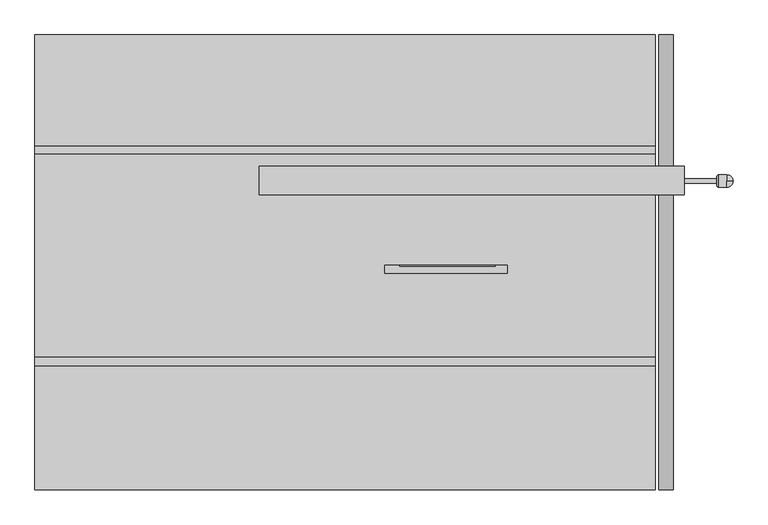
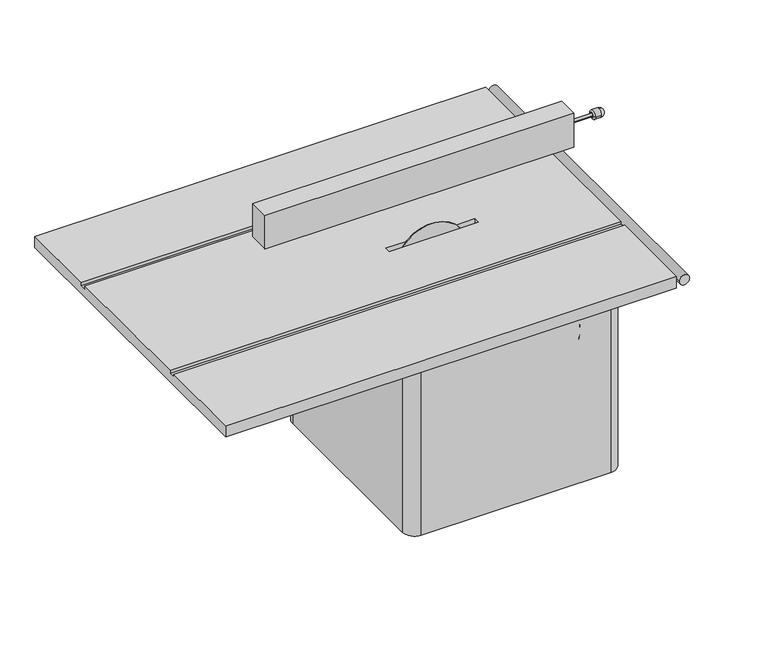
"""IFC4 building model written with IfcOpenShell, lengths in millimetres: proxy geometry."""

from ifc_helpers import new_model, si_unit, point, frame, origin, place, context, project, spatial, polyline, circle_curve, ellipse_curve, trimmed, source, transform, mapped, element, save
from ifc_brep_helpers import plane_surface, cylinder_surface, revolved_surface, advanced_brep


def generic_models_f5437ed7(model_context):
    return source(origin(), model_context, "Body", "AdvancedBrep", [
        advanced_brep(
        [(676.378953, 178.0544912, 133.7347842), (777.978953, 178.0544912, 133.7347842), (777.978953, 190.7544912, 133.7347842), (676.378953, 190.7544912, 133.7347842), (809.728953, 184.4044912, 114.6847842), (828.778953, 184.4044912, 133.7347842), (809.728953, 184.4044912, 152.7847842), (809.728953, 165.3544912, 133.7347842), (784.328953, 165.3544912, 133.7347842), (809.728953, 203.4544912, 133.7347842), (784.328953, 203.4544912, 133.7347842), (777.978953, 171.7044912, 133.7347842), (777.978953, 197.1044912, 133.7347842), (499.751566, -361.2020348, -283.6476847), (502.926566, -361.2020348, -283.6476847), (502.926566, -310.4020348, -283.6476847), (499.751566, -310.4020348, -283.6476847), (499.751566, -354.8520348, -212.0969115), (502.926566, -354.8520348, -212.0969115), (502.926566, -316.7520348, -212.0969115), (499.751566, -316.7520348, -212.0969115), (448.951566, -264.433879, -462.9127721), (464.826566, -264.433879, -462.9127721), (464.826566, -35.833879, -462.9127721), (448.951566, -35.833879, -462.9127721), (474.351566, -45.358879, -462.9127721), (474.351566, -254.908879, -462.9127721), (312.3910401, 297.4680412, -374.1719604), (312.3910401, 313.3430412, -374.1719604), (83.7910401, 313.3430412, -374.1719604), (83.7910401, 297.4680412, -374.1719604), (93.3160401, 322.8680412, -374.1719604), (302.8660401, 322.8680412, -374.1719604), (586.7424063, 293.8601682, 50.8), (-1340.825252, 293.8601682, 50.8), (-1340.825252, 293.8601682, 38.1), (586.7424063, 293.8601682, 38.1), (-1340.825252, 268.3071101, 50.8), (586.7424063, 268.3071101, 50.8), (586.7424063, 268.3071101, 38.1), (-1340.825252, 268.3071101, 38.1), (586.7424063, -362.3424132, 50.8), (-1340.825252, -362.3424132, 50.8), (-1340.825252, -362.3424132, 38.1), (586.7424063, -362.3424132, 38.1), (-1340.825252, -390.3939432, 50.8), (586.7424063, -390.3939432, 50.8), (586.7424063, -390.3939432, 38.1), (-1340.825252, -390.3939432, 38.1), (-1340.825252, -774.9870347, 50.8), (586.7424063, -774.9870347, 50.8), (586.7424063, 141.5142737, 50.8), (-643.8122449, 141.5142737, 50.8), (-643.8122449, 230.4142737, 50.8), (586.7424063, 230.4142737, 50.8), (-253.1006443, -102.6414505, 50.8), (-253.1006443, -77.2414505, 50.8), (-166.6982768, -77.2414505, 50.8), (48.3369106, -77.2414505, 50.8), (127.6651204, -77.2414505, 50.8), (127.6651204, -102.6414505, 50.8), (586.7424063, 638.485109, 50.8), (-1340.825252, 638.485109, 50.8), (586.7424063, -774.9870347, 0.0), (586.7424063, 638.485109, 0.0), (102.7543241, 322.8680412, -382.3351608), (293.4277561, 322.8680412, -382.3351608), (231.5657643, 322.8680412, -382.3351608), (164.6163158, 322.8680412, -382.3351608), (293.6205248, 322.8680412, -368.7089201), (102.5615553, 322.8680412, -368.7089201), (164.0711901, 322.8680412, -368.7089201), (232.1108901, 322.8680412, -368.7089201), (293.6205248, 297.4680412, -368.7089201), (102.5615553, 297.4680412, -368.7089201), (164.0711901, 297.4680412, -368.7089201), (232.1108901, 297.4680412, -368.7089201), (102.7543241, 297.4680412, -382.3351608), (293.4277561, 297.4680412, -382.3351608), (231.5657643, 297.4680412, -382.3351608), (164.6163158, 297.4680412, -382.3351608), (-414.648434, 297.4680412, 0.0), (398.151566, 297.4680412, 0.0), (398.151566, 297.4680412, -863.6), (-414.648434, 297.4680412, -863.6), (474.351566, -222.0551841, -421.9073877), (474.351566, -71.72547, -489.4878934), (474.351566, -116.781844, -469.2328656), (474.351566, -176.99881, -442.1624155), (474.351566, -183.2008593, -455.2396612), (474.351566, -122.4461776, -482.5518406), (474.351566, -77.550563, -502.7345993), (474.351566, -228.0964739, -435.0569025), (448.951566, -183.2008593, -455.2396612), (448.951566, -122.4461776, -482.5518406), (448.951566, -77.550563, -502.7345993), (448.951566, -228.0964739, -435.0569025), (448.951566, -222.0551841, -421.9073877), (448.951566, -71.72547, -489.4878934), (448.951566, -116.781844, -469.2328656), (448.951566, -176.99881, -442.1624155), (448.951566, 246.6680412, 0.0), (448.951566, -566.1319588, 0.0), (448.951566, -566.1319588, -863.6), (448.951566, 246.6680412, -863.6), (448.951566, -283.2065354, -167.9010216), (448.951566, -283.2065354, -349.9623704), (448.951566, -388.3975342, -349.9623704), (448.951566, -388.3975342, -167.9010216), (499.751566, -283.2065354, -167.9010216), (499.751566, -283.2065354, -349.9623704), (499.751566, -388.3975342, -349.9623704), (499.751566, -388.3975342, -167.9010216), (-208.2243392, -80.4164505, -25.4), (89.862973, -80.4164505, -25.4), (-208.2243392, -77.2414505, -25.4), (89.862973, -77.2414505, -25.4), (127.6651204, -77.2414505, -25.4), (127.6651204, -102.6414505, -25.4), (-253.1006443, -102.6414505, -25.4), (-253.1006443, -77.2414505, -25.4), (676.378953, 141.5142737, 50.8), (676.378953, 230.4142737, 50.8), (676.378953, 230.4142737, 203.2), (676.378953, 141.5142737, 203.2), (-643.8122449, 141.5142737, 203.2), (-643.8122449, 230.4142737, 203.2), (-1340.825252, 638.485109, 0.0), (-1340.825252, -774.9870347, 0.0), (398.151566, -616.9319588, 0.0), (-465.448434, 246.6680412, 0.0), (-465.448434, -566.1319588, 0.0), (-414.648434, -616.9319588, 0.0), (398.151566, -616.9319588, -863.6), (-465.448434, 246.6680412, -863.6), (-465.448434, -566.1319588, -863.6), (-414.648434, -616.9319588, -863.6)],
        [
            (0, 1),
            (1, 2, circle_curve(frame((777.978953, 184.4044912, 133.7347842), z_axis=(-1.0, 0.0, 0.0), x_axis=(0.0, -1.0, 0.0)), 6.35)),
            (2, 3),
            (3, 0, circle_curve(frame((676.378953, 184.4044912, 133.7347842), z_axis=(1.0, 0.0, 0.0), x_axis=(0.0, -1.0, 0.0)), 6.35)),
            (4, 5, circle_curve(frame((809.728953, 184.4044912, 133.7347842), z_axis=(0.0, -1.0, 0.0), x_axis=(0.0, 0.0, -1.0)), 19.05)),
            (5, 6, circle_curve(frame((809.728953, 184.4044912, 133.7347842), z_axis=(0.0, -1.0, 0.0), x_axis=(0.0, 0.0, 1.0)), 19.05)),
            (6, 7, circle_curve(frame((809.728953, 184.4044912, 133.7347842), z_axis=(1.0, 0.0, 0.0), x_axis=(0.0, 0.0, -1.0)), 19.05)),
            (7, 4, circle_curve(frame((809.728953, 184.4044912, 133.7347842), z_axis=(1.0, 0.0, 0.0), x_axis=(0.0, 0.0, -1.0)), 19.05)),
            (8, 7),
            (6, 9, circle_curve(frame((809.728953, 184.4044912, 133.7347842), z_axis=(-1.0, 0.0, 0.0), x_axis=(0.0, -1.0, 0.0)), 19.05)),
            (9, 10),
            (10, 8, circle_curve(frame((784.328953, 184.4044912, 133.7347842), z_axis=(1.0, 0.0, 0.0), x_axis=(0.0, -1.0, 0.0)), 19.05)),
            (8, 11, circle_curve(frame((784.328953, 171.7044912, 133.7347842), z_axis=(0.0, 0.0, -1.0), x_axis=(0.0, -1.0, 0.0)), 6.35)),
            (11, 12, circle_curve(frame((777.978953, 184.4044912, 133.7347842), z_axis=(1.0, 0.0, 0.0), x_axis=(0.0, -1.0, 0.0)), 12.7)),
            (12, 10, circle_curve(frame((784.328953, 197.1044912, 133.7347842), z_axis=(0.0, 0.0, -1.0), x_axis=(0.0, 1.0, 0.0)), 6.35)),
            (10, 8, circle_curve(frame((784.328953, 184.4044912, 133.7347842), z_axis=(-1.0, 0.0, 0.0), x_axis=(0.0, -1.0, 0.0)), 19.05)),
            (13, 14),
            (14, 15, circle_curve(frame((502.926566, -335.8020348, -283.6476847), z_axis=(-1.0, 0.0, 0.0), x_axis=(0.0, -1.0, 0.0)), 25.4)),
            (15, 16),
            (16, 13, circle_curve(frame((499.751566, -335.8020348, -283.6476847), z_axis=(1.0, 0.0, 0.0), x_axis=(0.0, -1.0, 0.0)), 25.4)),
            (17, 18),
            (18, 19, circle_curve(frame((502.926566, -335.8020348, -212.0969115), z_axis=(-1.0, 0.0, 0.0), x_axis=(0.0, -1.0, 0.0)), 19.05)),
            (19, 20),
            (20, 17, circle_curve(frame((499.751566, -335.8020348, -212.0969115), z_axis=(1.0, 0.0, 0.0), x_axis=(0.0, -1.0, 0.0)), 19.05)),
            (21, 22),
            (22, 23, circle_curve(frame((464.826566, -150.133879, -462.9127721), z_axis=(-1.0, 0.0, 0.0), x_axis=(0.0, -1.0, 0.0)), 114.3)),
            (23, 24),
            (24, 21, circle_curve(frame((448.951566, -150.133879, -462.9127721), z_axis=(1.0, 0.0, 0.0), x_axis=(0.0, -1.0, 0.0)), 114.3)),
            (23, 25, circle_curve(frame((464.826566, -45.358879, -462.9127721), z_axis=(0.0, 0.0, -1.0), x_axis=(0.0, 1.0, 0.0)), 9.525)),
            (25, 26, circle_curve(frame((474.351566, -150.133879, -462.9127721), z_axis=(-1.0, 0.0, 0.0), x_axis=(0.0, 1.0, 0.0)), 104.775)),
            (26, 22, circle_curve(frame((464.826566, -254.908879, -462.9127721), z_axis=(0.0, 0.0, -1.0), x_axis=(0.0, -1.0, 0.0)), 9.525)),
            (22, 23, circle_curve(frame((464.826566, -150.133879, -462.9127721), z_axis=(1.0, 0.0, 0.0), x_axis=(0.0, 1.0, 0.0)), 114.3)),
            (27, 28),
            (28, 29, circle_curve(frame((198.0910401, 313.3430412, -374.1719604), z_axis=(0.0, -1.0, 0.0), x_axis=(1.0, 0.0, 0.0)), 114.3)),
            (29, 30),
            (30, 27, circle_curve(frame((198.0910401, 297.4680412, -374.1719604), z_axis=(0.0, 1.0, 0.0), x_axis=(1.0, 0.0, 0.0)), 114.3)),
            (29, 31, circle_curve(frame((93.3160401, 313.3430412, -374.1719604), z_axis=(0.0, 0.0, -1.0), x_axis=(-1.0, 0.0, 0.0)), 9.525)),
            (31, 32, circle_curve(frame((198.0910401, 322.8680412, -374.1719604), z_axis=(0.0, -1.0, 0.0), x_axis=(-1.0, 0.0, 0.0)), 104.775)),
            (32, 28, circle_curve(frame((302.8660401, 313.3430412, -374.1719604), z_axis=(0.0, 0.0, -1.0), x_axis=(1.0, 0.0, 0.0)), 9.525)),
            (28, 29, circle_curve(frame((198.0910401, 313.3430412, -374.1719604), z_axis=(0.0, 1.0, 0.0), x_axis=(-1.0, 0.0, 0.0)), 114.3)),
            (33, 34),
            (34, 35),
            (35, 36),
            (36, 33),
            (37, 38),
            (38, 39),
            (39, 40),
            (40, 37),
            (39, 36),
            (35, 40),
            (41, 42),
            (42, 43),
            (43, 44),
            (44, 41),
            (45, 46),
            (46, 47),
            (47, 48),
            (48, 45),
            (47, 44),
            (43, 48),
            (45, 49),
            (49, 50),
            (50, 46),
            (37, 42),
            (41, 51),
            (51, 52),
            (52, 53),
            (53, 54),
            (54, 38),
            (55, 56),
            (56, 57),
            (57, 58),
            (58, 59),
            (59, 60),
            (60, 55),
            (33, 61),
            (61, 62),
            (62, 34),
            (54, 51),
            (50, 63),
            (63, 64),
            (64, 61),
            (32, 31, circle_curve(frame((198.0910401, 322.8680412, -374.1719604), z_axis=(0.0, -1.0, 0.0), x_axis=(-1.0, 0.0, 0.0)), 104.775)),
            (27, 30, circle_curve(frame((198.0910401, 297.4680412, -374.1719604), z_axis=(0.0, 1.0, 0.0), x_axis=(1.0, 0.0, 0.0)), 114.3)),
            (65, 66, circle_curve(frame((198.0910401, 322.8680412, -374.1719604), z_axis=(0.0, -1.0, 0.0), x_axis=(-0.9963542199565579, 0.0, 0.08531276794688515)), 95.6855645)),
            (66, 67),
            (67, 68, circle_curve(frame((198.0910401, 322.8680412, -374.1719604), z_axis=(0.0, 1.0, 0.0), x_axis=(0.9715294681837133, 0.0, -0.2369187465159127)), 34.4556962)),
            (68, 65),
            (69, 70, circle_curve(frame((198.0910401, 322.8680412, -374.1719604), z_axis=(0.0, -1.0, 0.0), x_axis=(0.9983688259059159, 0.0, -0.05709367267257328)), 95.6855645)),
            (70, 71),
            (71, 72, circle_curve(frame((198.0910401, 322.8680412, -374.1719604), z_axis=(0.0, 1.0, 0.0), x_axis=(-0.9873505316340759, 0.0, 0.15855260225523773)), 34.4556962)),
            (72, 69),
            (73, 74, circle_curve(frame((198.0910401, 297.4680412, -374.1719604), z_axis=(0.0, -1.0, 0.0), x_axis=(0.9983688259059159, 0.0, -0.05709367267257328)), 95.6855645)),
            (74, 70),
            (69, 73),
            (74, 75),
            (75, 71),
            (75, 76, circle_curve(frame((198.0910401, 297.4680412, -374.1719604), z_axis=(0.0, 1.0, 0.0), x_axis=(-0.9873505316340759, 0.0, 0.15855260225523773)), 34.4556962)),
            (76, 72),
            (76, 73),
            (77, 78, circle_curve(frame((198.0910401, 297.4680412, -374.1719604), z_axis=(0.0, -1.0, 0.0), x_axis=(-0.9963542199565579, 0.0, 0.08531276794688515)), 95.6855645)),
            (78, 66),
            (65, 77),
            (78, 79),
            (79, 67),
            (79, 80, circle_curve(frame((198.0910401, 297.4680412, -374.1719604), z_axis=(0.0, 1.0, 0.0), x_axis=(0.9715294681837133, 0.0, -0.2369187465159127)), 34.4556962)),
            (80, 68),
            (80, 77),
            (81, 82),
            (82, 83),
            (83, 84),
            (84, 81),
            (26, 25, circle_curve(frame((474.351566, -150.133879, -462.9127721), z_axis=(-1.0, 0.0, 0.0), x_axis=(0.0, 1.0, 0.0)), 104.775)),
            (21, 24, circle_curve(frame((448.951566, -150.133879, -462.9127721), z_axis=(1.0, 0.0, 0.0), x_axis=(0.0, -1.0, 0.0)), 114.3)),
            (85, 86, circle_curve(frame((474.351566, -150.133879, -462.9127721), z_axis=(-1.0, 0.0, 0.0), x_axis=(0.0, -0.9470805697824121, 0.3209959413148736)), 82.7895868)),
            (86, 87),
            (87, 88, circle_curve(frame((474.351566, -150.133879, -462.9127721), z_axis=(1.0, 0.0, 0.0), x_axis=(0.0, 0.9825150552938274, -0.18618315208677508)), 33.9455714)),
            (88, 85),
            (89, 90, circle_curve(frame((474.351566, -150.133879, -462.9127721), z_axis=(1.0, 0.0, 0.0), x_axis=(0.0, 0.9741176519313407, -0.22604158952673153)), 33.9455714)),
            (90, 91),
            (91, 92, circle_curve(frame((474.351566, -150.133879, -462.9127721), z_axis=(-1.0, 0.0, 0.0), x_axis=(0.0, -0.9416956643948973, 0.33646586106149473)), 82.7895868)),
            (92, 89),
            (93, 94, circle_curve(frame((448.951566, -150.133879, -462.9127721), z_axis=(1.0, 0.0, 0.0), x_axis=(0.0, 0.9741176519313407, -0.22604158952673153)), 33.9455714)),
            (94, 90),
            (89, 93),
            (94, 95),
            (95, 91),
            (95, 96, circle_curve(frame((448.951566, -150.133879, -462.9127721), z_axis=(-1.0, 0.0, 0.0), x_axis=(0.0, -0.9416956643948973, 0.33646586106149473)), 82.7895868)),
            (96, 92),
            (96, 93),
            (97, 98, circle_curve(frame((448.951566, -150.133879, -462.9127721), z_axis=(-1.0, 0.0, 0.0), x_axis=(0.0, -0.9470805697824121, 0.3209959413148736)), 82.7895868)),
            (98, 86),
            (85, 97),
            (98, 99),
            (99, 87),
            (99, 100, circle_curve(frame((448.951566, -150.133879, -462.9127721), z_axis=(1.0, 0.0, 0.0), x_axis=(0.0, 0.9825150552938274, -0.18618315208677508)), 33.9455714)),
            (100, 88),
            (100, 97),
            (101, 102),
            (102, 103),
            (103, 104),
            (104, 101),
            (105, 106),
            (106, 107),
            (107, 108),
            (108, 105),
            (17, 20, circle_curve(frame((499.751566, -335.8020348, -212.0969115), z_axis=(1.0, 0.0, 0.0), x_axis=(0.0, -1.0, 0.0)), 19.05)),
            (19, 18, circle_curve(frame((502.926566, -335.8020348, -212.0969115), z_axis=(-1.0, 0.0, 0.0), x_axis=(0.0, -1.0, 0.0)), 19.05)),
            (13, 16, circle_curve(frame((499.751566, -335.8020348, -283.6476847), z_axis=(1.0, 0.0, 0.0), x_axis=(0.0, -1.0, 0.0)), 25.4)),
            (15, 14, circle_curve(frame((502.926566, -335.8020348, -283.6476847), z_axis=(-1.0, 0.0, 0.0), x_axis=(0.0, -1.0, 0.0)), 25.4)),
            (105, 109),
            (109, 110),
            (110, 106),
            (110, 111),
            (111, 107),
            (111, 112),
            (112, 108),
            (112, 109),
            (12, 11, circle_curve(frame((777.978953, 184.4044912, 133.7347842), z_axis=(1.0, 0.0, 0.0), x_axis=(0.0, -1.0, 0.0)), 12.7)),
            (9, 4, circle_curve(frame((809.728953, 184.4044912, 133.7347842), z_axis=(-1.0, 0.0, 0.0), x_axis=(0.0, -1.0, 0.0)), 19.05)),
            (1, 2, circle_curve(frame((777.978953, 184.4044912, 133.7347842), z_axis=(1.0, 0.0, 0.0), x_axis=(0.0, -1.0, 0.0)), 6.35)),
            (0, 3, circle_curve(frame((676.378953, 184.4044912, 133.7347842), z_axis=(1.0, 0.0, 0.0), x_axis=(0.0, -1.0, 0.0)), 6.35)),
            (113, 114),
            (114, 113, circle_curve(frame((-59.1806831, -80.4164505, -57.2079953), z_axis=(0.0, -1.0, 0.0), x_axis=(-1.0, 0.0, 0.0)), 152.4)),
            (115, 113),
            (114, 116),
            (116, 58, circle_curve(frame((-59.1806831, -77.2414505, -57.2079953), z_axis=(0.0, -1.0, 0.0), x_axis=(-1.0, 0.0, 0.0)), 152.4)),
            (58, 57, circle_curve(frame((-59.1806831, -77.2414505, -57.2079953), z_axis=(0.0, -1.0, 0.0), x_axis=(-1.0, 0.0, 0.0)), 152.4)),
            (57, 115, circle_curve(frame((-59.1806831, -77.2414505, -57.2079953), z_axis=(0.0, -1.0, 0.0), x_axis=(-1.0, 0.0, 0.0)), 152.4)),
            (116, 117),
            (117, 59),
            (117, 118),
            (118, 60),
            (118, 119),
            (119, 55),
            (115, 120),
            (120, 119),
            (120, 56),
            (121, 122),
            (122, 123),
            (123, 124),
            (124, 121),
            (51, 121),
            (124, 125),
            (125, 52),
            (125, 126),
            (126, 53),
            (126, 123),
            (122, 54),
            (64, 127),
            (127, 62),
            (63, 128),
            (128, 127),
            (129, 102, circle_curve(frame((398.151566, -566.1319588, 0.0), z_axis=(0.0, 0.0, 1.0), x_axis=(0.0, -1.0, 0.0)), 50.8)),
            (101, 82, circle_curve(frame((398.151566, 246.6680412, 0.0), z_axis=(0.0, 0.0, 1.0), x_axis=(1.0, 0.0, 0.0)), 50.8)),
            (81, 130, circle_curve(frame((-414.648434, 246.6680412, 0.0), z_axis=(0.0, 0.0, 1.0), x_axis=(0.0, 1.0, 0.0)), 50.8)),
            (130, 131),
            (131, 132, circle_curve(frame((-414.648434, -566.1319588, 0.0), z_axis=(0.0, 0.0, 1.0), x_axis=(-1.0, 0.0, 0.0)), 50.8)),
            (132, 129),
            (128, 49),
            (129, 133),
            (133, 103, circle_curve(frame((398.151566, -566.1319588, -863.6), z_axis=(0.0, 0.0, 1.0), x_axis=(0.0, -1.0, 0.0)), 50.8)),
            (104, 83, circle_curve(frame((398.151566, 246.6680412, -863.6), z_axis=(0.0, 0.0, 1.0), x_axis=(1.0, 0.0, 0.0)), 50.8)),
            (84, 134, circle_curve(frame((-414.648434, 246.6680412, -863.6), z_axis=(0.0, 0.0, 1.0), x_axis=(0.0, 1.0, 0.0)), 50.8)),
            (134, 130),
            (134, 135),
            (135, 131),
            (135, 136, circle_curve(frame((-414.648434, -566.1319588, -863.6), z_axis=(0.0, 0.0, 1.0), x_axis=(-1.0, 0.0, 0.0)), 50.8)),
            (136, 132),
            (136, 133),
        ],
        [
            cylinder_surface(frame((676.378953, 184.4044912, 133.7347842), z_axis=(1.0, 0.0, 0.0), x_axis=(0.0, -1.0, 0.0)), 6.35),
            revolved_surface(trimmed(ellipse_curve(frame((809.728953, 184.4044912, 133.7347842), z_axis=(0.0, -1.0, 0.0), x_axis=(0.0, 0.0, -1.0)), 19.05, 19.05), [point((809.728953, 184.4044912, 114.6847842))], [point((828.778953, 184.4044912, 133.7347842))], True, "CARTESIAN"), (809.728953, 184.4044912, 133.7347842), (1.0, 0.0, 0.0)),
            cylinder_surface(frame((777.978953, 184.4044912, 133.7347842), z_axis=(1.0, 0.0, 0.0), x_axis=(0.0, -1.0, 0.0)), 19.05),
            revolved_surface(trimmed(ellipse_curve(frame((784.328953, 171.7044912, 133.7347842), z_axis=(0.0, 0.0, -1.0), x_axis=(0.0, -1.0, 0.0)), 6.35, 6.35), [point((784.328953, 165.3544912, 133.7347842))], [point((777.978953, 171.7044912, 133.7347842))], True, "CARTESIAN"), (784.328953, 184.4044912, 133.7347842), (-1.0, 0.0, 0.0)),
            cylinder_surface(frame((499.751566, -335.8020348, -283.6476847), z_axis=(1.0, 0.0, 0.0), x_axis=(0.0, -1.0, 0.0)), 25.4),
            cylinder_surface(frame((499.751566, -335.8020348, -212.0969115), z_axis=(1.0, 0.0, 0.0), x_axis=(0.0, -1.0, 0.0)), 19.05),
            cylinder_surface(frame((448.951566, -150.133879, -462.9127721), z_axis=(1.0, 0.0, 0.0), x_axis=(0.0, -1.0, 0.0)), 114.3),
            revolved_surface(trimmed(ellipse_curve(frame((464.826566, -45.358879, -462.9127721), z_axis=(0.0, 0.0, -1.0), x_axis=(0.0, 1.0, 0.0)), 9.525, 9.525), [point((464.826566, -35.833879, -462.9127721))], [point((474.351566, -45.358879, -462.9127721))], True, "CARTESIAN"), (464.826566, -150.133879, -462.9127721), (1.0, 0.0, 0.0)),
            cylinder_surface(frame((198.0910401, 297.4680412, -374.1719604), z_axis=(0.0, 1.0, 0.0), x_axis=(1.0, 0.0, 0.0)), 114.3),
            revolved_surface(trimmed(ellipse_curve(frame((93.3160401, 313.3430412, -374.1719604), z_axis=(0.0, 0.0, -1.0), x_axis=(-1.0, 0.0, 0.0)), 9.525, 9.525), [point((83.7910401, 313.3430412, -374.1719604))], [point((93.3160401, 322.8680412, -374.1719604))], True, "CARTESIAN"), (198.0910401, 313.3430412, -374.1719604), (0.0, 1.0, 0.0)),
            plane_surface(frame((-1340.825252, 293.8601682, 50.8), z_axis=(0.0, -1.0, 0.0), x_axis=(1.0, 0.0, 0.0))),
            plane_surface(frame((586.7424063, 268.3071101, 50.8), z_axis=(0.0, 1.0, 0.0), x_axis=(-1.0, 0.0, 0.0))),
            plane_surface(frame((-377.0414229, 281.0836391, 38.1), z_axis=(0.0, 0.0, 1.0), x_axis=(0.0, 1.0, 0.0))),
            plane_surface(frame((-1340.825252, -362.3424132, 50.8), z_axis=(0.0, -1.0, 0.0), x_axis=(1.0, 0.0, 0.0))),
            plane_surface(frame((586.7424063, -390.3939432, 50.8), z_axis=(0.0, 1.0, 0.0), x_axis=(-1.0, 0.0, 0.0))),
            plane_surface(frame((-377.0414229, -376.3681782, 38.1), z_axis=(0.0, 0.0, 1.0), x_axis=(0.0, 1.0, 0.0))),
            plane_surface(frame((-345.7642637, -135.4762593, 50.8), z_axis=(0.0, 0.0, 1.0), x_axis=(0.0, -1.0, 0.0))),
            plane_surface(frame((586.7424063, -866.1991001, 0.0), z_axis=(1.0, 0.0, 0.0), x_axis=(0.0, 1.0, 0.0))),
            plane_surface(frame((198.0910401, 322.8680412, -374.1719604), z_axis=(0.0, 1.0, 0.0), x_axis=(-1.0, 0.0, 0.0))),
            revolved_surface(polyline([(293.62052478600975, 322.8680412, -379.63500069905336), (293.62052478600975, 297.4680412, -379.63500069905336)]), (198.0910401, 297.4680412, -374.1719604), (0.0, 1.0, 0.0)),
            plane_surface(frame((164.0711901, 297.4680412, -368.7089201), z_axis=(0.0, 0.0, 1.0), x_axis=(-1.0, 0.0, 0.0))),
            cylinder_surface(frame((198.0910401, 297.4680412, -374.1719604), z_axis=(0.0, 1.0, 0.0), x_axis=(-0.9873505316340759, 0.0, 0.15855260225523773)), 34.4556962),
            plane_surface(frame((293.6205248, 297.4680412, -368.7089201), z_axis=(0.0, 0.0, 1.0), x_axis=(-1.0, 0.0, 0.0))),
            revolved_surface(polyline([(102.75432412149958, 322.8680412, -366.0087600399448), (102.75432412149958, 297.4680412, -366.0087600399448)]), (198.0910401, 297.4680412, -374.1719604), (0.0, 1.0, 0.0)),
            plane_surface(frame((231.5657643, 297.4680412, -382.3351608), z_axis=(0.0, 0.0, -1.0), x_axis=(1.0, 0.0, 0.0))),
            cylinder_surface(frame((198.0910401, 297.4680412, -374.1719604), z_axis=(0.0, 1.0, 0.0), x_axis=(0.9715294681837133, 0.0, -0.2369187465159127)), 34.4556962),
            plane_surface(frame((102.7543241, 297.4680412, -382.3351608), z_axis=(0.0, 0.0, -1.0), x_axis=(1.0, 0.0, 0.0))),
            plane_surface(frame((-414.648434, 297.4680412, 0.0), z_axis=(0.0, 1.0, 0.0), x_axis=(1.0, 0.0, 0.0))),
            plane_surface(frame((474.351566, -150.133879, -462.9127721), z_axis=(1.0, 0.0, 0.0), x_axis=(0.0, 1.0, 0.0))),
            cylinder_surface(frame((448.951566, -150.133879, -462.9127721), z_axis=(1.0, 0.0, 0.0), x_axis=(0.0, 0.9741176519313407, -0.22604158952673153)), 33.9455714),
            plane_surface(frame((448.951566, -77.550563, -502.7345993), z_axis=(0.0, -0.4100222354097385, -0.9120755267353692), x_axis=(0.0, -0.9120755267353692, 0.4100222354097385))),
            revolved_surface(polyline([(474.351566, -228.09647394660502, -435.05690249041265), (448.951566, -228.09647394660502, -435.05690249041265)]), (448.951566, -150.133879, -462.9127721), (1.0, 0.0, 0.0)),
            plane_surface(frame((448.951566, -183.2008593, -455.2396612), z_axis=(0.0, -0.410022235409738, -0.9120755267353694), x_axis=(0.0, -0.9120755267353694, 0.410022235409738))),
            revolved_surface(polyline([(474.351566, -228.54228803859445, -436.33765075406455), (448.951566, -228.54228803859445, -436.33765075406455)]), (448.951566, -150.133879, -462.9127721), (1.0, 0.0, 0.0)),
            plane_surface(frame((448.951566, -116.781844, -469.2328656), z_axis=(0.0, 0.410022235409738, 0.9120755267353694), x_axis=(0.0, 0.9120755267353694, -0.410022235409738))),
            cylinder_surface(frame((448.951566, -150.133879, -462.9127721), z_axis=(1.0, 0.0, 0.0), x_axis=(0.0, 0.9825150552938274, -0.18618315208677508)), 33.9455714),
            plane_surface(frame((448.951566, -222.0551841, -421.9073877), z_axis=(0.0, 0.41002223540973853, 0.9120755267353691), x_axis=(0.0, 0.9120755267353691, -0.41002223540973853))),
            plane_surface(frame((448.951566, 246.6680412, 0.0), z_axis=(1.0, 0.0, 0.0), x_axis=(0.0, -1.0, 0.0))),
            plane_surface(frame((502.926566, -335.8020348, -212.0969115), z_axis=(1.0, 0.0, 0.0), x_axis=(0.0, 1.0, 0.0))),
            plane_surface(frame((502.926566, -335.8020348, -283.6476847), z_axis=(1.0, 0.0, 0.0), x_axis=(0.0, 1.0, 0.0))),
            plane_surface(frame((448.951566, -283.2065354, -349.9623704), z_axis=(0.0, 1.0, 0.0), x_axis=(0.0, 0.0, 1.0))),
            plane_surface(frame((448.951566, -388.3975342, -349.9623704), z_axis=(0.0, 0.0, -1.0), x_axis=(0.0, 1.0, 0.0))),
            plane_surface(frame((448.951566, -388.3975342, -167.9010216), z_axis=(0.0, -1.0, 0.0), x_axis=(0.0, 0.0, -1.0))),
            plane_surface(frame((448.951566, -283.2065354, -167.9010216), z_axis=(0.0, 0.0, 1.0), x_axis=(0.0, -1.0, 0.0))),
            plane_surface(frame((499.751566, -335.8020348, -258.931696), z_axis=(1.0, 0.0, 0.0), x_axis=(0.0, 1.0, 0.0))),
            plane_surface(frame((777.978953, 184.4044912, 133.7347842), z_axis=(-1.0, 0.0, 0.0), x_axis=(0.0, 1.0, 0.0))),
            plane_surface(frame((-59.1806831, -80.4164505, -57.2079953), z_axis=(0.0, -1.0, 0.0), x_axis=(1.0, 0.0, 0.0))),
            cylinder_surface(frame((-59.1806831, -77.2414505, -57.2079953), z_axis=(0.0, -1.0, 0.0), x_axis=(-1.0, 0.0, 0.0)), 152.4),
            plane_surface(frame((-59.1806831, -77.2414505, -57.2079953), z_axis=(0.0, 1.0, 0.0), x_axis=(1.0, 0.0, 0.0))),
            plane_surface(frame((127.6651204, -77.2414505, 50.8), z_axis=(0.0, -1.0, 0.0), x_axis=(-1.0, 0.0, 0.0))),
            plane_surface(frame((127.6651204, -102.6414505, 50.8), z_axis=(-1.0, 0.0, 0.0), x_axis=(0.0, 1.0, 0.0))),
            plane_surface(frame((-253.1006443, -102.6414505, 50.8), z_axis=(0.0, 1.0, 0.0), x_axis=(1.0, 0.0, 0.0))),
            plane_surface(frame((-62.7177619, -89.9414505, -25.4), z_axis=(0.0, 0.0, 1.0), x_axis=(0.0, 1.0, 0.0))),
            plane_surface(frame((-253.1006443, -77.2414505, 50.8), z_axis=(1.0, 0.0, 0.0), x_axis=(0.0, -1.0, 0.0))),
            plane_surface(frame((676.378953, 141.5142737, 50.8), z_axis=(1.0, 0.0, 0.0), x_axis=(0.0, 1.0, 0.0))),
            plane_surface(frame((-643.8122449, 141.5142737, 50.8), z_axis=(0.0, -1.0, 0.0), x_axis=(1.0, 0.0, 0.0))),
            plane_surface(frame((-643.8122449, 230.4142737, 50.8), z_axis=(-1.0, 0.0, 0.0), x_axis=(0.0, -1.0, 0.0))),
            plane_surface(frame((676.378953, 230.4142737, 50.8), z_axis=(0.0, 1.0, 0.0), x_axis=(-1.0, 0.0, 0.0))),
            plane_surface(frame((16.283354, 185.9642737, 50.8), z_axis=(0.0, 0.0, -1.0), x_axis=(0.0, -1.0, 0.0))),
            plane_surface(frame((16.283354, 185.9642737, 203.2), z_axis=(0.0, 0.0, 1.0), x_axis=(0.0, -1.0, 0.0))),
            plane_surface(frame((-377.0414229, 638.485109, 25.4), z_axis=(0.0, 1.0, 0.0), x_axis=(-1.0, 0.0, 0.0))),
            plane_surface(frame((-345.7642637, -135.4762593, 0.0), z_axis=(0.0, 0.0, -1.0), x_axis=(0.0, -1.0, 0.0))),
            plane_surface(frame((-1340.825252, 353.0008999, 0.0), z_axis=(-1.0, 0.0, 0.0), x_axis=(0.0, -1.0, 0.0))),
            plane_surface(frame((-1340.825252, -774.9870347, 0.0), z_axis=(0.0, -1.0, 0.0), x_axis=(1.0, 0.0, 0.0))),
            cylinder_surface(frame((398.151566, -566.1319588, 0.0), z_axis=(0.0, 0.0, -1.0), x_axis=(0.0, -1.0, 0.0)), 50.8),
            cylinder_surface(frame((398.151566, 246.6680412, 0.0), z_axis=(0.0, 0.0, -1.0), x_axis=(1.0, 0.0, 0.0)), 50.8),
            cylinder_surface(frame((-414.648434, 246.6680412, 0.0), z_axis=(0.0, 0.0, -1.0), x_axis=(0.0, 1.0, 0.0)), 50.8),
            plane_surface(frame((-465.448434, -566.1319588, 0.0), z_axis=(-1.0, 0.0, 0.0), x_axis=(0.0, 1.0, 0.0))),
            cylinder_surface(frame((-414.648434, -566.1319588, 0.0), z_axis=(0.0, 0.0, -1.0), x_axis=(-1.0, 0.0, 0.0)), 50.8),
            plane_surface(frame((398.151566, -616.9319588, 0.0), z_axis=(0.0, -1.0, 0.0), x_axis=(-1.0, 0.0, 0.0))),
            plane_surface(frame((-8.248434, -159.7319588, -863.6), z_axis=(0.0, 0.0, -1.0), x_axis=(0.0, 1.0, 0.0))),
        ],
        [
            (0, [[1, 2, 3, 4]]),
            (1, [[5, 6, 7, 8]]),
            (2, [[9, -7, 10, 11, 12]]),
            (3, [[13, 14, 15, 16]]),
            (4, [[17, 18, 19, 20]]),
            (5, [[21, 22, 23, 24]]),
            (6, [[25, 26, 27, 28]]),
            (7, [[29, 30, 31, 32]]),
            (8, [[33, 34, 35, 36]]),
            (9, [[37, 38, 39, 40]]),
            (10, [[41, 42, 43, 44]]),
            (11, [[45, 46, 47, 48]]),
            (12, [[49, -43, 50, -47]]),
            (13, [[51, 52, 53, 54]]),
            (14, [[55, 56, 57, 58]]),
            (15, [[59, -53, 60, -57]]),
            (16, [[-55, 61, 62, 63]]),
            (16, [[-45, 64, -51, 65, 66, 67, 68, 69], [70, 71, 72, 73, 74, 75]]),
            (16, [[-41, 76, 77, 78]]),
            (17, [[-44, -49, -46, -69, 79, -65, -54, -59, -56, -63, 80, 81, 82, -76]]),
            (9, [[-37, -34, -39, 83]]),
            (8, [[-33, 84, -35, -40]]),
            (18, [[-38, -83], [85, 86, 87, 88], [89, 90, 91, 92]]),
            (19, [[93, 94, -89, 95]]),
            (20, [[96, 97, -90, -94]]),
            (21, [[98, 99, -91, -97]]),
            (22, [[100, -95, -92, -99]]),
            (23, [[101, 102, -85, 103]]),
            (24, [[104, 105, -86, -102]]),
            (25, [[106, 107, -87, -105]]),
            (26, [[108, -103, -88, -107]]),
            (27, [[109, 110, 111, 112], [-84, -36]]),
            (27, [[-101, -108, -106, -104]]),
            (7, [[-29, -26, -31, 113]]),
            (6, [[-25, 114, -27, -32]]),
            (28, [[-30, -113], [115, 116, 117, 118], [119, 120, 121, 122]]),
            (29, [[123, 124, -119, 125]]),
            (30, [[126, 127, -120, -124]]),
            (31, [[128, 129, -121, -127]]),
            (32, [[130, -125, -122, -129]]),
            (33, [[131, 132, -115, 133]]),
            (34, [[134, 135, -116, -132]]),
            (35, [[136, 137, -117, -135]]),
            (36, [[138, -133, -118, -137]]),
            (37, [[139, 140, 141, 142], [-114, -28], [143, 144, 145, 146]]),
            (37, [[-131, -138, -136, -134]]),
            (5, [[-21, 147, -23, 148]]),
            (38, [[-22, -148]]),
            (4, [[-17, 149, -19, 150]]),
            (39, [[-18, -150]]),
            (40, [[-143, 151, 152, 153]]),
            (41, [[-144, -153, 154, 155]]),
            (42, [[-145, -155, 156, 157]]),
            (43, [[-146, -157, 158, -151]]),
            (44, [[-158, -156, -154, -152], [-147, -24], [-149, -20]]),
            (3, [[-13, -12, -15, 159]]),
            (2, [[-9, -16, -11, 160, -8]]),
            (45, [[-159, -14], [-2, 161]]),
            (1, [[-5, -160, -10, -6]]),
            (0, [[-1, 162, -3, -161]]),
            (46, [[163, 164]]),
            (47, [[165, -164, 166, 167, 168, 169]]),
            (48, [[-72, -168]]),
            (49, [[-167, 170, 171, -73]]),
            (50, [[-74, -171, 172, 173]]),
            (51, [[-75, -173, 174, 175]]),
            (52, [[-165, 176, 177, -174, -172, -170, -166, -163]]),
            (53, [[-70, -175, -177, 178]]),
            (49, [[-169, -71, -178, -176]]),
            (54, [[179, 180, 181, 182], [-162, -4]]),
            (55, [[183, -182, 184, 185, -66]]),
            (56, [[-67, -185, 186, 187]]),
            (57, [[-68, -187, 188, -180, 189]]),
            (58, [[-79, -189, -179, -183]]),
            (59, [[-188, -186, -184, -181]]),
            (60, [[190, 191, -77, -82]]),
            (61, [[192, 193, -190, -81], [194, -139, 195, -109, 196, 197, 198, 199]]),
            (62, [[-42, -78, -191, -193, 200, -61, -58, -60, -52, -64, -48, -50]]),
            (63, [[-192, -80, -62, -200]]),
            (64, [[-194, 201, 202, -140]]),
            (37, [[-123, -130, -128, -126]]),
            (65, [[-195, -142, 203, -110]]),
            (27, [[-93, -100, -98, -96]]),
            (66, [[-196, -112, 204, 205]]),
            (67, [[-197, -205, 206, 207]]),
            (68, [[-198, -207, 208, 209]]),
            (69, [[-199, -209, 210, -201]]),
            (70, [[-210, -208, -206, -204, -111, -203, -141, -202]]),
        ],
    ),
        advanced_brep(
        [(598.2450543, -774.9870347, 25.4), (598.2450543, 638.485109, 25.4), (642.6950543, 638.485109, 25.4), (642.6950543, -774.9870347, 25.4)],
        [
            (0, 1),
            (1, 2, circle_curve(frame((620.4700543, 638.485109, 25.4), z_axis=(0.0, -1.0, 0.0), x_axis=(-1.0, 0.0, 0.0)), 22.225)),
            (2, 3),
            (3, 0, circle_curve(frame((620.4700543, -774.9870347, 25.4), z_axis=(0.0, 1.0, 0.0), x_axis=(-1.0, 0.0, 0.0)), 22.225)),
            (0, 3, circle_curve(frame((620.4700543, -774.9870347, 25.4), z_axis=(0.0, 1.0, 0.0), x_axis=(-1.0, 0.0, 0.0)), 22.225)),
            (2, 1, circle_curve(frame((620.4700543, 638.485109, 25.4), z_axis=(0.0, -1.0, 0.0), x_axis=(-1.0, 0.0, 0.0)), 22.225)),
        ],
        [
            cylinder_surface(frame((620.4700543, -866.1991001, 25.4), z_axis=(0.0, 1.0, 0.0), x_axis=(-1.0, 0.0, 0.0)), 22.225),
            plane_surface(frame((620.4700543, 638.485109, 25.4), z_axis=(0.0, 1.0, 0.0), x_axis=(1.0, 0.0, 0.0))),
            plane_surface(frame((620.4700543, -774.9870347, 25.4), z_axis=(0.0, -1.0, 0.0), x_axis=(1.0, 0.0, 0.0))),
        ],
        [
            (0, [[1, 2, 3, 4]]),
            (0, [[-1, 5, -3, 6]]),
            (1, [[-2, -6]]),
            (2, [[-4, -5]]),
        ],
    ),
    ])


if __name__ == "__main__":
    model = new_model("IFC4")
    model_context = context("Model", 3, world=origin())
    ifc_project = project(units=[si_unit("LENGTHUNIT", "METRE", prefix="MILLI")], contexts=[model_context])
    site = spatial("IfcSite", under=ifc_project)
    building = spatial("IfcBuilding", under=site)
    placement = place(None, origin())
    generic_models_shape = generic_models_f5437ed7(model_context)
    element("IfcBuildingElementProxy", 1, Name="Generic Models", at=placement, inside=building, context=model_context, shape_type="MappedRepresentation", body=[
        mapped(generic_models_shape, transform((0.0, 0.0, 0.0), x_axis=(1.0, 0.0, 0.0), y_axis=(0.0, 1.0, 0.0), z_axis=(0.0, 0.0, 1.0))),
    ])
    save(model, "model.ifc")
